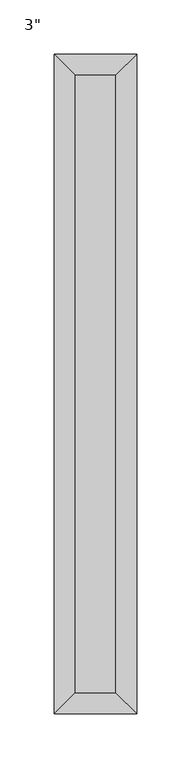
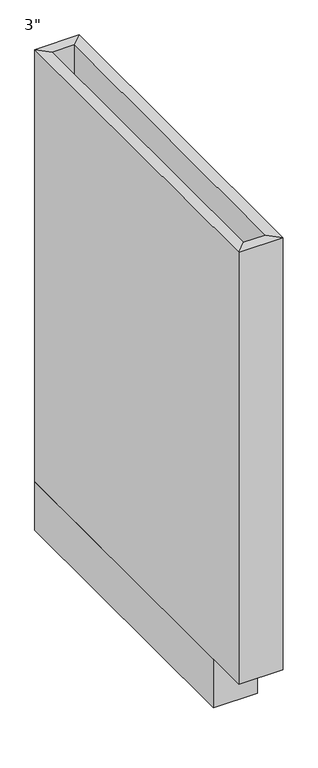
"""IFC4 building model written with IfcOpenShell, lengths in millimetres: furniture geometry."""

from ifc_helpers import new_model, si_unit, frame, origin, origin_with_axes, place, context, project, spatial, polyline, outline, extrude, faceted_brep, source, transform, mapped, element, save


def furniture_79a4a33f(model_context):
    return source(origin(), model_context, "Body", "SolidModel", [
        extrude(outline(polyline([(37.7877049, -19.05), (37.7877049, -590.55), (-0.3122951, -590.55), (-0.3122951, -19.05), (37.7877049, -19.05)])), frame((0.0, 0.0, 88.9), z_axis=(0.0, 0.0, 1.0), x_axis=(1.0, 0.0, 0.0)), (0.0, 0.0, 1.0), 19.05),
        faceted_brep([(37.7877049, -590.55, 876.3), (37.7877049, -590.55, 88.9), (-0.3122951, -590.55, 88.9), (-0.3122951, -590.55, 876.3), (56.8377049, -609.6, 876.3), (-19.3622951, -609.6, 876.3), (56.8377049, -609.6, 88.9), (-19.3622951, -609.6, 88.9), (-0.3122951, -19.05, 88.9), (-0.3122951, -19.05, 876.3), (-19.3622951, 0.0, 876.3), (-19.3622951, 0.0, 88.9), (37.7877049, -19.05, 88.9), (37.7877049, -19.05, 876.3), (56.8377049, 0.0, 876.3), (56.8377049, 0.0, 88.9)], [[[0, 1, 2, 3]], [[4, 0, 3, 5]], [[6, 4, 5, 7]], [[1, 6, 7, 2]], [[3, 2, 8, 9]], [[5, 3, 9, 10]], [[7, 5, 10, 11]], [[2, 7, 11, 8]], [[9, 8, 12, 13]], [[10, 9, 13, 14]], [[11, 10, 14, 15]], [[8, 11, 15, 12]], [[13, 12, 1, 0]], [[14, 13, 0, 4]], [[15, 14, 4, 6]], [[12, 15, 6, 1]]]),
        extrude(outline(polyline([(56.8377049, 0.0), (56.8377049, -533.4), (-19.3622951, -533.4), (-19.3622951, 0.0), (56.8377049, 0.0)])), origin_with_axes(), (0.0, 0.0, 1.0), 88.9),
    ])


if __name__ == "__main__":
    model = new_model("IFC4")
    model_context = context("Model", 3, world=origin())
    ifc_project = project(units=[si_unit("LENGTHUNIT", "METRE", prefix="MILLI")], contexts=[model_context])
    site = spatial("IfcSite", under=ifc_project)
    building = spatial("IfcBuilding", under=site)
    placement = place(None, origin())
    furniture_shape = furniture_79a4a33f(model_context)
    element("IfcFurniture", 1, ObjectType="3\"", at=placement, inside=building, context=model_context, shape_type="MappedRepresentation", body=[
        mapped(furniture_shape, transform((0.0, 0.0, 0.0), x_axis=(1.0, 0.0, 0.0), y_axis=(0.0, 1.0, 0.0), z_axis=(0.0, 0.0, 1.0))),
    ])
    save(model, "model.ifc")
